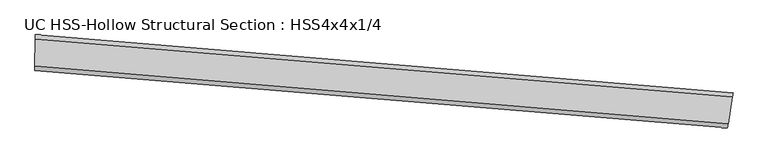
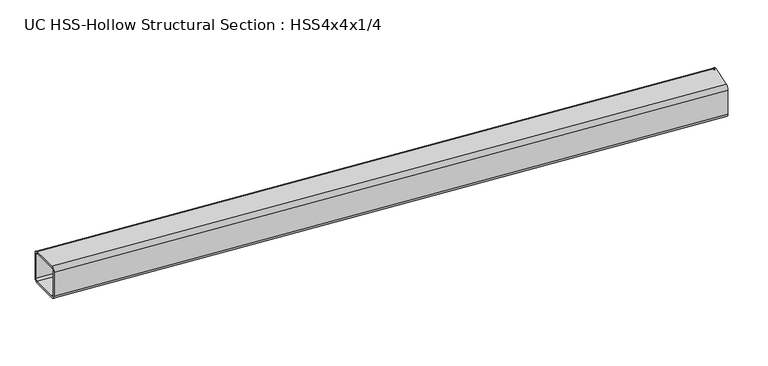
"""IFC4 building model written with IfcOpenShell, lengths in millimetres: beam geometry, UC HSS-Hollow Structural Section : HSS4x4x1/4."""

from ifc_helpers import new_model, si_unit, point, frame, origin, place, context, project, spatial, polyline, circle_curve, ellipse_curve, trimmed, source, transform, mapped, element, save
from ifc_brep_helpers import plane_surface, cylinder_surface, revolved_surface, advanced_brep


def uc_hss_hollow_structural_section_hss4x4x1_4_40262697(model_context):
    return source(origin(), model_context, "Body", "AdvancedBrep", [
        advanced_brep(
        [(68.8624422, -50.9864919, 38.9636), (68.926552, -39.1502655, 50.8), (69.3486307, 38.7757914, 50.8), (69.4127404, 50.6120178, 38.9636), (69.4127404, 50.6120178, -38.9636), (69.3486307, 38.7757914, -50.8), (68.926552, -39.1502655, -50.8), (68.8624422, -50.9864919, -38.9636), (69.3486307, 38.7757914, 44.8818), (68.926552, -39.1502655, 44.8818), (68.8944971, -45.0683787, 38.9636), (68.8944971, -45.0683787, -38.9636), (68.926552, -39.1502655, -44.8818), (69.3486307, 38.7757914, -44.8818), (69.3806855, 44.6939046, -38.9636), (69.3806855, 44.6939046, 38.9636), (2038.0554329, -215.2148984, 38.9636), (2038.0554329, -215.2148984, -38.9636), (2039.952827, -203.5315659, -50.8), (2052.4446837, -126.6121144, -50.8), (2054.3420779, -114.9287818, -38.9636), (2054.3420779, -114.9287818, 38.9636), (2052.4446837, -126.6121144, 50.8), (2039.952827, -203.5315659, 50.8), (2052.4446837, -126.6121144, 44.8818), (2053.3933808, -120.7704481, 38.9636), (2053.3933808, -120.7704481, -38.9636), (2052.4446837, -126.6121144, -44.8818), (2039.952827, -203.5315659, -44.8818), (2039.0041299, -209.3732322, -38.9636), (2039.0041299, -209.3732322, 38.9636), (2039.952827, -203.5315659, 44.8818)],
        [
            (0, 1, circle_curve(frame((68.926552, -39.1502655, 38.9636), z_axis=(-0.9999853316287576, 0.005416320459851409, 0.0), x_axis=(0.005416320459851409, 0.9999853316287576, 0.0)), 11.8364)),
            (1, 2),
            (2, 3, circle_curve(frame((69.3486307, 38.7757914, 38.9636), z_axis=(-0.9999853316287576, 0.005416320459851409, 0.0), x_axis=(0.005416320459851409, 0.9999853316287576, 0.0)), 11.8364)),
            (3, 4),
            (4, 5, circle_curve(frame((69.3486307, 38.7757914, -38.9636), z_axis=(-0.9999853316287576, 0.005416320459851409, 0.0), x_axis=(0.005416320459851409, 0.9999853316287576, 0.0)), 11.8364)),
            (5, 6),
            (6, 7, circle_curve(frame((68.926552, -39.1502655, -38.9636), z_axis=(-0.9999853316287576, 0.005416320459851409, 0.0), x_axis=(0.005416320459851409, 0.9999853316287576, 0.0)), 11.8364)),
            (7, 0),
            (8, 9),
            (9, 10, circle_curve(frame((68.926552, -39.1502655, 38.9636), z_axis=(0.9999853316287576, -0.005416320459851409, 0.0), x_axis=(0.005416320459851409, 0.9999853316287576, 0.0)), 5.9182)),
            (10, 11),
            (11, 12, circle_curve(frame((68.926552, -39.1502655, -38.9636), z_axis=(0.9999853316287576, -0.005416320459851409, 0.0), x_axis=(0.005416320459851409, 0.9999853316287576, 0.0)), 5.9182)),
            (12, 13),
            (13, 14, circle_curve(frame((69.3486307, 38.7757914, -38.9636), z_axis=(0.9999853316287576, -0.005416320459851409, 0.0), x_axis=(0.005416320459851409, 0.9999853316287576, 0.0)), 5.9182)),
            (14, 15),
            (15, 8, circle_curve(frame((69.3486307, 38.7757914, 38.9636), z_axis=(0.9999853316287576, -0.005416320459851409, 0.0), x_axis=(0.005416320459851409, 0.9999853316287576, 0.0)), 5.9182)),
            (16, 17),
            (17, 18, circle_curve(frame((2039.952827, -203.5315659, -38.9636), z_axis=(0.9870680773235663, -0.16030162422370625, 0.0), x_axis=(0.16030162422370625, 0.9870680773235663, 0.0)), 11.8364)),
            (18, 19),
            (19, 20, circle_curve(frame((2052.4446837, -126.6121144, -38.9636), z_axis=(0.9870680773235663, -0.16030162422370625, 0.0), x_axis=(0.16030162422370625, 0.9870680773235663, 0.0)), 11.8364)),
            (20, 21),
            (21, 22, circle_curve(frame((2052.4446837, -126.6121144, 38.9636), z_axis=(0.9870680773235663, -0.16030162422370625, 0.0), x_axis=(0.16030162422370625, 0.9870680773235663, 0.0)), 11.8364)),
            (22, 23),
            (23, 16, circle_curve(frame((2039.952827, -203.5315659, 38.9636), z_axis=(0.9870680773235663, -0.16030162422370625, 0.0), x_axis=(0.16030162422370625, 0.9870680773235663, 0.0)), 11.8364)),
            (24, 25, circle_curve(frame((2052.4446837, -126.6121144, 38.9636), z_axis=(-0.9870680773235663, 0.16030162422370625, 0.0), x_axis=(0.16030162422370625, 0.9870680773235663, 0.0)), 5.9182)),
            (25, 26),
            (26, 27, circle_curve(frame((2052.4446837, -126.6121144, -38.9636), z_axis=(-0.9870680773235663, 0.16030162422370625, 0.0), x_axis=(0.16030162422370625, 0.9870680773235663, 0.0)), 5.9182)),
            (27, 28),
            (28, 29, circle_curve(frame((2039.952827, -203.5315659, -38.9636), z_axis=(-0.9870680773235663, 0.16030162422370625, 0.0), x_axis=(0.16030162422370625, 0.9870680773235663, 0.0)), 5.9182)),
            (29, 30),
            (30, 31, circle_curve(frame((2039.952827, -203.5315659, 38.9636), z_axis=(-0.9870680773235663, 0.16030162422370625, 0.0), x_axis=(0.16030162422370625, 0.9870680773235663, 0.0)), 5.9182)),
            (31, 24),
            (0, 16, circle_curve(frame((0.0, -12764.6788689, 38.9636), z_axis=(0.0, 0.0, -1.0), x_axis=(-0.5098240984632179, -0.860278669168408, 0.0)), 12713.8788689)),
            (23, 1, circle_curve(frame((0.0, -12764.6788689, 50.8), z_axis=(0.0, 0.0, 1.0), x_axis=(-0.5098240984632179, -0.860278669168408, 0.0)), 12725.7152689)),
            (22, 2, circle_curve(frame((0.0, -12764.6788689, 50.8), z_axis=(0.0, 0.0, 1.0), x_axis=(-0.5098240984632179, -0.860278669168408, 0.0)), 12803.6424689)),
            (21, 3, circle_curve(frame((0.0, -12764.6788689, 38.9636), z_axis=(0.0, 0.0, 1.0), x_axis=(-0.5098240984632179, -0.860278669168408, 0.0)), 12815.4788689)),
            (20, 4, circle_curve(frame((0.0, -12764.6788689, -38.9636), z_axis=(0.0, 0.0, 1.0), x_axis=(-0.5098240984632179, -0.860278669168408, 0.0)), 12815.4788689)),
            (19, 5, circle_curve(frame((0.0, -12764.6788689, -50.8), z_axis=(0.0, 0.0, 1.0), x_axis=(-0.5098240984632179, -0.860278669168408, 0.0)), 12803.6424689)),
            (18, 6, circle_curve(frame((0.0, -12764.6788689, -50.8), z_axis=(0.0, 0.0, 1.0), x_axis=(-0.5098240984632179, -0.860278669168408, 0.0)), 12725.7152689)),
            (17, 7, circle_curve(frame((0.0, -12764.6788689, -38.9636), z_axis=(0.0, 0.0, 1.0), x_axis=(-0.5098240984632179, -0.860278669168408, 0.0)), 12713.8788689)),
            (8, 24, circle_curve(frame((0.0, -12764.6788689, 44.8818), z_axis=(0.0, 0.0, -1.0), x_axis=(-0.5098240984632179, -0.860278669168408, 0.0)), 12803.6424689)),
            (31, 9, circle_curve(frame((0.0, -12764.6788689, 44.8818), z_axis=(0.0, 0.0, 1.0), x_axis=(-0.5098240984632179, -0.860278669168408, 0.0)), 12725.7152689)),
            (30, 10, circle_curve(frame((0.0, -12764.6788689, 38.9636), z_axis=(0.0, 0.0, 1.0), x_axis=(-0.5098240984632179, -0.860278669168408, 0.0)), 12719.7970689)),
            (29, 11, circle_curve(frame((0.0, -12764.6788689, -38.9636), z_axis=(0.0, 0.0, 1.0), x_axis=(-0.5098240984632179, -0.860278669168408, 0.0)), 12719.7970689)),
            (28, 12, circle_curve(frame((0.0, -12764.6788689, -44.8818), z_axis=(0.0, 0.0, 1.0), x_axis=(-0.5098240984632179, -0.860278669168408, 0.0)), 12725.7152689)),
            (27, 13, circle_curve(frame((0.0, -12764.6788689, -44.8818), z_axis=(0.0, 0.0, 1.0), x_axis=(-0.5098240984632179, -0.860278669168408, 0.0)), 12803.6424689)),
            (26, 14, circle_curve(frame((0.0, -12764.6788689, -38.9636), z_axis=(0.0, 0.0, 1.0), x_axis=(-0.5098240984632179, -0.860278669168408, 0.0)), 12809.5606689)),
            (25, 15, circle_curve(frame((0.0, -12764.6788689, 38.9636), z_axis=(0.0, 0.0, 1.0), x_axis=(-0.5098240984632179, -0.860278669168408, 0.0)), 12809.5606689)),
        ],
        [
            plane_surface(frame((69.1375913, -0.187237, 0.0), z_axis=(-0.9999853316287576, 0.0054163204598577375, 0.0), x_axis=(0.0, 0.0, 1.0))),
            plane_surface(frame((2046.1987554, -165.0718401, 0.0), z_axis=(0.9870680773235653, -0.16030162422371247, 0.0), x_axis=(0.0, 0.0, 1.0))),
            revolved_surface(trimmed(ellipse_curve(frame((-6487.8763143, -23712.3402646, 38.9636), z_axis=(0.8602786691684117, -0.5098240984632116, 0.0), x_axis=(-0.5098240984632116, -0.8602786691684117, 0.0)), 11.8364, 11.8364), [point((-6481.8418323, -23702.1576621, 38.9636))], [point((-6487.8763143, -23712.3402646, 50.8))], True, "CARTESIAN"), (0.0, -12764.6788689, 0.0), (0.0, 0.0, -1.0)),
            plane_surface(frame((0.0, -12764.6788689, 50.8), z_axis=(0.0, 0.0, 1.0), x_axis=(-0.5098240984632179, -0.860278669168408, 0.0))),
            revolved_surface(trimmed(ellipse_curve(frame((-6527.6054787, -23779.3793725, 38.9636), z_axis=(0.8602786691684117, -0.5098240984632116, 0.0), x_axis=(-0.5098240984632116, -0.8602786691684117, 0.0)), 11.8364, 11.8364), [point((-6527.6054787, -23779.3793725, 50.8))], [point((-6533.6399607, -23789.5619749, 38.9636))], True, "CARTESIAN"), (0.0, -12764.6788689, 0.0), (0.0, 0.0, -1.0)),
            cylinder_surface(frame((0.0, -12764.6788689, 0.0), z_axis=(0.0, 0.0, -1.0), x_axis=(-0.5098240984632179, -0.860278669168408, 0.0)), 12815.4788689),
            revolved_surface(trimmed(ellipse_curve(frame((-6527.6054787, -23779.3793725, -38.9636), z_axis=(0.8602786691684117, -0.5098240984632116, 0.0), x_axis=(-0.5098240984632116, -0.8602786691684117, 0.0)), 11.8364, 11.8364), [point((-6533.6399607, -23789.5619749, -38.9636))], [point((-6527.6054787, -23779.3793725, -50.8))], True, "CARTESIAN"), (0.0, -12764.6788689, 0.0), (0.0, 0.0, -1.0)),
            plane_surface(frame((0.0, -12764.6788689, -50.8), z_axis=(0.0, 0.0, -1.0), x_axis=(-0.5098240984632179, -0.860278669168408, 0.0))),
            revolved_surface(trimmed(ellipse_curve(frame((-6487.8763143, -23712.3402646, -38.9636), z_axis=(0.8602786691684117, -0.5098240984632116, 0.0), x_axis=(-0.5098240984632116, -0.8602786691684117, 0.0)), 11.8364, 11.8364), [point((-6487.8763143, -23712.3402646, -50.8))], [point((-6481.8418323, -23702.1576621, -38.9636))], True, "CARTESIAN"), (0.0, -12764.6788689, 0.0), (0.0, 0.0, -1.0)),
            revolved_surface(polyline([(-6481.841832307498, -23702.15766220564, -38.9636), (-6481.841832307498, -23702.15766220564, 38.9636)]), (0.0, -12764.6788689, 0.0), (0.0, 0.0, -1.0)),
            plane_surface(frame((0.0, -12764.6788689, 44.8818), z_axis=(0.0, 0.0, -1.0), x_axis=(-0.5098240984632179, -0.860278669168408, 0.0))),
            revolved_surface(trimmed(ellipse_curve(frame((-6487.8763143, -23712.3402646, 38.9636), z_axis=(-0.8602786691684117, 0.5098240984632116, 0.0), x_axis=(-0.5098240984632116, -0.8602786691684117, 0.0)), 5.9182, 5.9182), [point((-6487.8763143, -23712.3402646, 44.8818))], [point((-6484.8590733, -23707.2489634, 38.9636))], True, "CARTESIAN"), (0.0, -12764.6788689, 0.0), (0.0, 0.0, -1.0)),
            cylinder_surface(frame((0.0, -12764.6788689, 0.0), z_axis=(0.0, 0.0, -1.0), x_axis=(-0.5098240984632179, -0.860278669168408, 0.0)), 12719.7970689),
            revolved_surface(trimmed(ellipse_curve(frame((-6487.8763143, -23712.3402646, -38.9636), z_axis=(-0.8602786691684117, 0.5098240984632116, 0.0), x_axis=(-0.5098240984632116, -0.8602786691684117, 0.0)), 5.9182, 5.9182), [point((-6484.8590733, -23707.2489634, -38.9636))], [point((-6487.8763143, -23712.3402646, -44.8818))], True, "CARTESIAN"), (0.0, -12764.6788689, 0.0), (0.0, 0.0, -1.0)),
            plane_surface(frame((0.0, -12764.6788689, -44.8818), z_axis=(0.0, 0.0, 1.0), x_axis=(-0.5098240984632179, -0.860278669168408, 0.0))),
            revolved_surface(trimmed(ellipse_curve(frame((-6527.6054787, -23779.3793725, -38.9636), z_axis=(-0.8602786691684117, 0.5098240984632116, 0.0), x_axis=(-0.5098240984632116, -0.8602786691684117, 0.0)), 5.9182, 5.9182), [point((-6527.6054787, -23779.3793725, -44.8818))], [point((-6530.6227197, -23784.4706737, -38.9636))], True, "CARTESIAN"), (0.0, -12764.6788689, 0.0), (0.0, 0.0, -1.0)),
            revolved_surface(polyline([(-6530.622719731836, -23784.470673773274, -38.9636), (-6530.622719731836, -23784.470673773274, 38.9636)]), (0.0, -12764.6788689, 0.0), (0.0, 0.0, -1.0)),
            revolved_surface(trimmed(ellipse_curve(frame((-6527.6054787, -23779.3793725, 38.9636), z_axis=(-0.8602786691684117, 0.5098240984632116, 0.0), x_axis=(-0.5098240984632116, -0.8602786691684117, 0.0)), 5.9182, 5.9182), [point((-6530.6227197, -23784.4706737, 38.9636))], [point((-6527.6054787, -23779.3793725, 44.8818))], True, "CARTESIAN"), (0.0, -12764.6788689, 0.0), (0.0, 0.0, -1.0)),
        ],
        [
            (0, [[1, 2, 3, 4, 5, 6, 7, 8], [9, 10, 11, 12, 13, 14, 15, 16]]),
            (1, [[17, 18, 19, 20, 21, 22, 23, 24], [25, 26, 27, 28, 29, 30, 31, 32]]),
            (2, [[-1, 33, -24, 34]]),
            (3, [[-2, -34, -23, 35]]),
            (4, [[-3, -35, -22, 36]]),
            (5, [[-4, -36, -21, 37]]),
            (6, [[-5, -37, -20, 38]]),
            (7, [[-6, -38, -19, 39]]),
            (8, [[-7, -39, -18, 40]]),
            (9, [[-8, -40, -17, -33]]),
            (10, [[-9, 41, -32, 42]]),
            (11, [[-10, -42, -31, 43]]),
            (12, [[-11, -43, -30, 44]]),
            (13, [[-12, -44, -29, 45]]),
            (14, [[-13, -45, -28, 46]]),
            (15, [[-14, -46, -27, 47]]),
            (16, [[-15, -47, -26, 48]]),
            (17, [[-16, -48, -25, -41]]),
        ],
    ),
    ])


if __name__ == "__main__":
    model = new_model("IFC4")
    model_context = context("Model", 3, world=origin())
    ifc_project = project(units=[si_unit("LENGTHUNIT", "METRE", prefix="MILLI")], contexts=[model_context])
    site = spatial("IfcSite", under=ifc_project)
    building = spatial("IfcBuilding", under=site)
    placement = place(None, origin())
    uc_hss_hollow_structural_section_hss4x4x1_4_shape = uc_hss_hollow_structural_section_hss4x4x1_4_40262697(model_context)
    element("IfcBeam", 1, ObjectType="UC HSS-Hollow Structural Section : HSS4x4x1/4", at=placement, inside=building, context=model_context, shape_type="MappedRepresentation", body=[
        mapped(uc_hss_hollow_structural_section_hss4x4x1_4_shape, transform((0.0, 0.0, 0.0), x_axis=(1.0, 0.0, 0.0), y_axis=(0.0, 1.0, 0.0), z_axis=(0.0, 0.0, 1.0))),
    ])
    save(model, "model.ifc")
